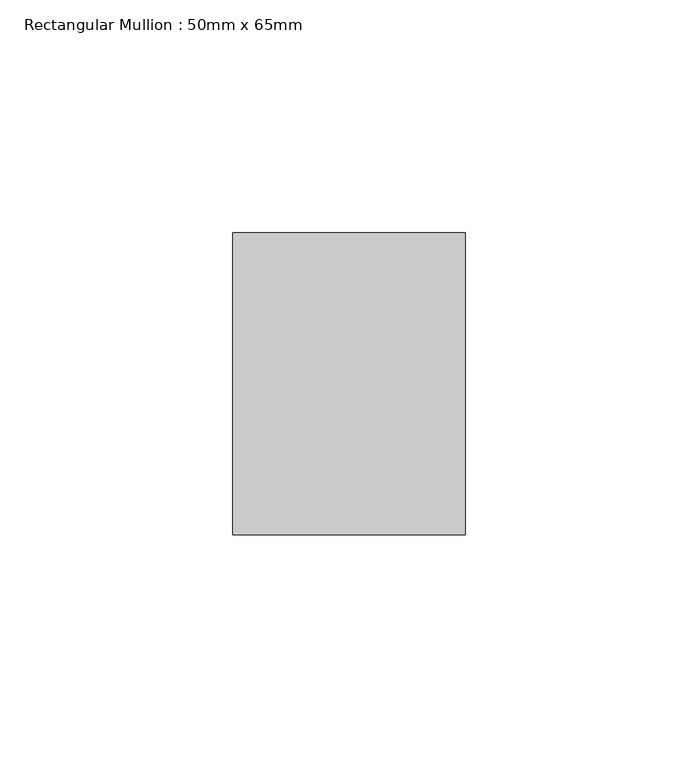
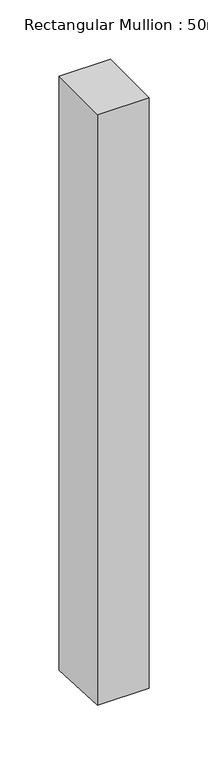
"""IFC4 building model written with IfcOpenShell, lengths in millimetres: member geometry, Rectangular Mullion : 50mm x 65mm."""

from ifc_helpers import new_model, si_unit, origin, place, context, project, spatial, faceted_brep, source, transform, mapped, element, save


def rectangular_mullion_50mm_x_65mm_0ce8a75e(model_context):
    return source(origin(), model_context, "Body", "Brep", [
        faceted_brep([(25.0, 32.5, 0.0), (-25.0, 32.5, 0.0), (-25.0, -32.5, 0.0), (25.0, -32.5, 0.0), (25.0, 32.5, -611.9222998), (-25.0, 32.5, -612.0462769), (-25.0, -32.5, -608.4842608), (25.0, -32.5, -608.3602837)], [[[0, 1, 2, 3]], [[1, 0, 4, 5]], [[2, 1, 5, 6]], [[3, 2, 6, 7]], [[0, 3, 7, 4]], [[4, 7, 6, 5]]]),
    ])


if __name__ == "__main__":
    model = new_model("IFC4")
    model_context = context("Model", 3, world=origin())
    ifc_project = project(units=[si_unit("LENGTHUNIT", "METRE", prefix="MILLI")], contexts=[model_context])
    site = spatial("IfcSite", under=ifc_project)
    building = spatial("IfcBuilding", under=site)
    placement = place(None, origin())
    rectangular_mullion_50mm_x_65mm_shape = rectangular_mullion_50mm_x_65mm_0ce8a75e(model_context)
    element("IfcMember", 1, ObjectType="Rectangular Mullion : 50mm x 65mm", at=placement, inside=building, context=model_context, shape_type="MappedRepresentation", body=[
        mapped(rectangular_mullion_50mm_x_65mm_shape, transform((0.0, 0.0, 0.0), x_axis=(1.0, 0.0, 0.0), y_axis=(0.0, 1.0, 0.0), z_axis=(0.0, 0.0, 1.0))),
    ])
    save(model, "model.ifc")
